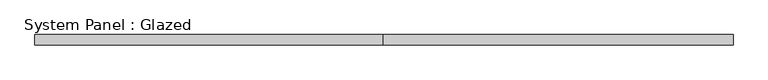
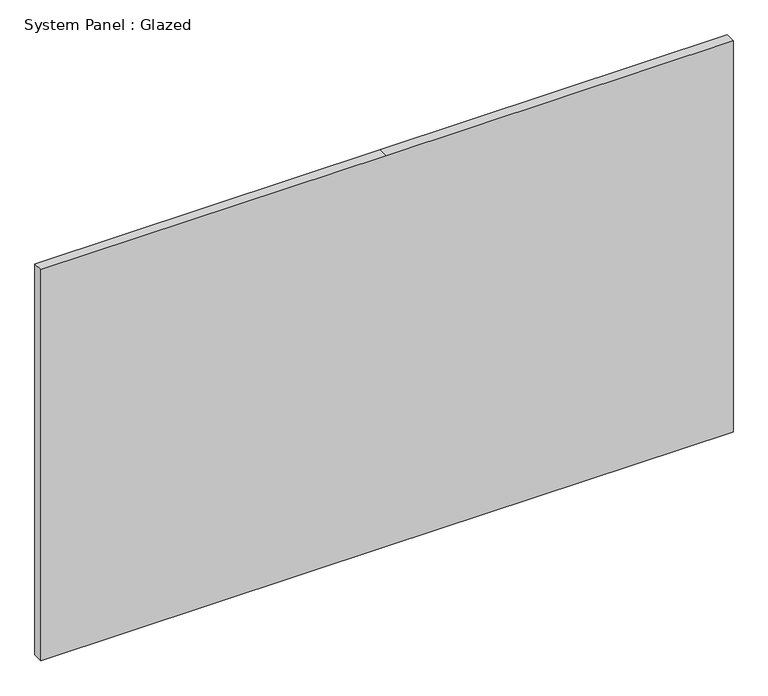
"""IFC4 building model written with IfcOpenShell, lengths in millimetres: plate geometry, System Panel : Glazed."""

from ifc_helpers import new_model, si_unit, frame, origin, place, context, project, spatial, polyline, outline, extrude, source, transform, mapped, element, save


def system_panel_glazed_e66268ab(model_context):
    return source(origin(), model_context, "Body", "SweptSolid", [
        extrude(outline(polyline([(0.0, -865.8415246), (0.0, -2.2415246), (0.0, 865.8415246), (1034.796, 865.8415246), (1034.796, -2.2415246), (1034.796, -865.8415246), (0.0, -865.8415246)])), frame((0.0, -12.7, 0.0), z_axis=(0.0, 1.0, 0.0), x_axis=(0.0, 0.0, 1.0)), (0.0, 0.0, 1.0), 25.4),
    ])


if __name__ == "__main__":
    model = new_model("IFC4")
    model_context = context("Model", 3, world=origin())
    ifc_project = project(units=[si_unit("LENGTHUNIT", "METRE", prefix="MILLI")], contexts=[model_context])
    site = spatial("IfcSite", under=ifc_project)
    building = spatial("IfcBuilding", under=site)
    placement = place(None, origin())
    system_panel_glazed_shape = system_panel_glazed_e66268ab(model_context)
    element("IfcPlate", 1, ObjectType="System Panel : Glazed", at=placement, inside=building, context=model_context, shape_type="MappedRepresentation", body=[
        mapped(system_panel_glazed_shape, transform((0.0, 0.0, 0.0), x_axis=(1.0, 0.0, 0.0), y_axis=(0.0, 1.0, 0.0), z_axis=(0.0, 0.0, 1.0))),
    ])
    save(model, "model.ifc")
